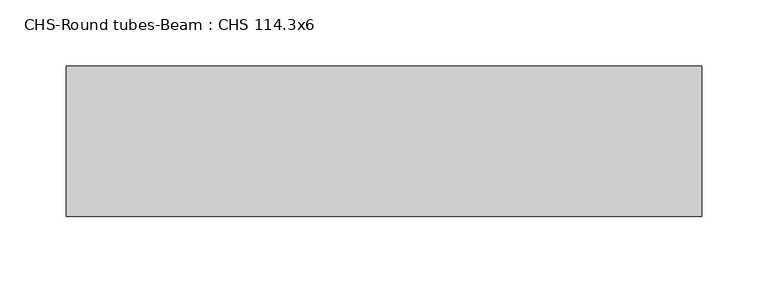
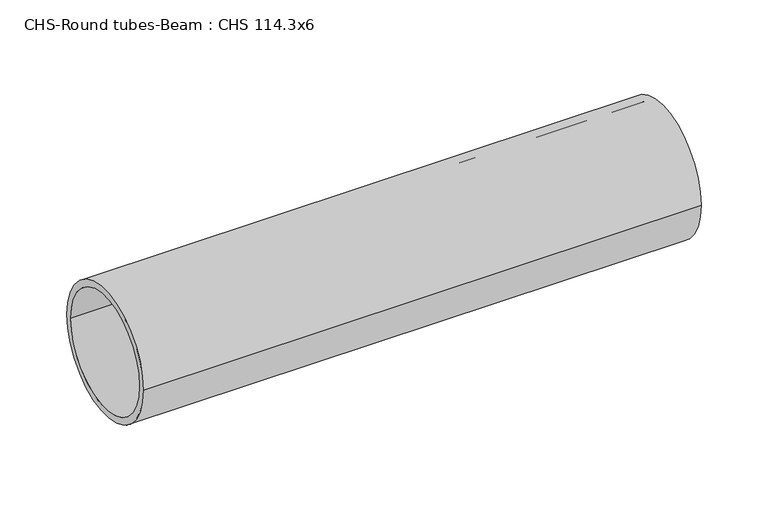
"""IFC4 building model written with IfcOpenShell, lengths in millimetres: beam geometry, CHS-Round tubes-Beam : CHS 114.3x6."""

from ifc_helpers import new_model, si_unit, point, frame, origin, origin_2d, place, context, project, spatial, circle_curve, trimmed, segment, composite_curve, outline, extrude, source, transform, mapped, element, save


def chs_round_tubes_beam_chs_114_3x6_dd2a2ebe(model_context):
    return source(origin(), model_context, "Body", "SweptSolid", [
        extrude(outline(composite_curve([segment(trimmed(circle_curve(origin_2d(), 57.15), [point((57.15, 0.0))], [point((-57.15, 0.0))], False, "CARTESIAN"), True, "CONTINUOUS"), segment(trimmed(circle_curve(origin_2d(), 57.15), [point((-57.15, 0.0))], [point((57.15, 0.0))], False, "CARTESIAN"), True, "CONTINUOUS")], self_intersect=False), holes=[composite_curve([segment(trimmed(circle_curve(origin_2d(), 51.15), [point((51.15, 0.0))], [point((-51.15, 0.0))], True, "CARTESIAN"), True, "CONTINUOUS"), segment(trimmed(circle_curve(origin_2d(), 51.15), [point((-51.15, 0.0))], [point((51.15, 0.0))], True, "CARTESIAN"), True, "CONTINUOUS")], self_intersect=False)]), frame((61.8107599, 0.0, 0.0), z_axis=(1.0, 0.0, 0.0), x_axis=(0.0, 1.0, 0.0)), (0.0, 0.0, 1.0), 481.5277453),
    ])


if __name__ == "__main__":
    model = new_model("IFC4")
    model_context = context("Model", 3, world=origin())
    ifc_project = project(units=[si_unit("LENGTHUNIT", "METRE", prefix="MILLI")], contexts=[model_context])
    site = spatial("IfcSite", under=ifc_project)
    building = spatial("IfcBuilding", under=site)
    placement = place(None, origin())
    chs_round_tubes_beam_chs_114_3x6_shape = chs_round_tubes_beam_chs_114_3x6_dd2a2ebe(model_context)
    element("IfcBeam", 1, ObjectType="CHS-Round tubes-Beam : CHS 114.3x6", at=placement, inside=building, context=model_context, shape_type="MappedRepresentation", body=[
        mapped(chs_round_tubes_beam_chs_114_3x6_shape, transform((0.0, 0.0, 0.0), x_axis=(1.0, 0.0, 0.0), y_axis=(0.0, 1.0, 0.0), z_axis=(0.0, 0.0, 1.0))),
    ])
    save(model, "model.ifc")
